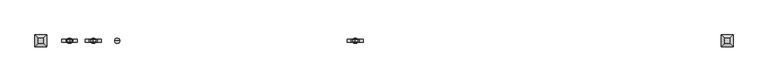
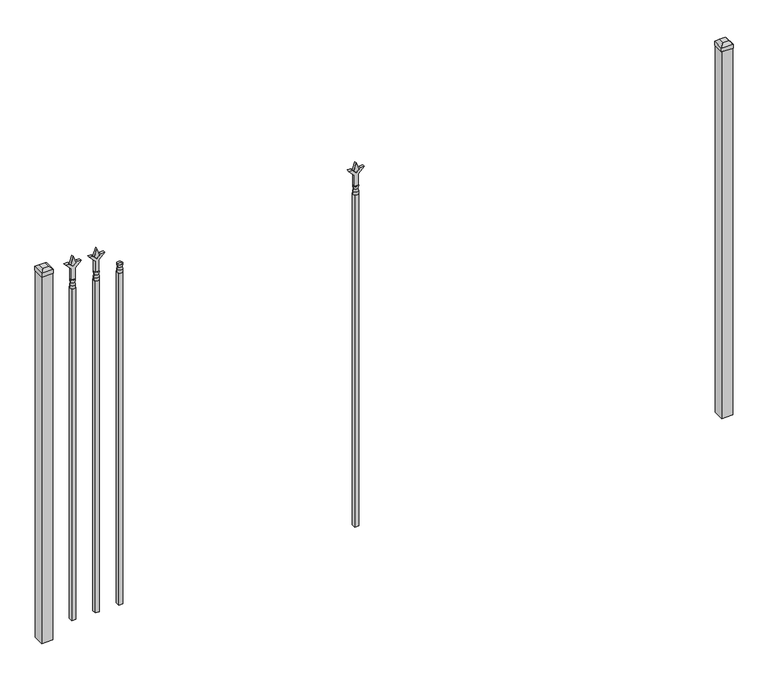
"""IFC4 building model written with IfcOpenShell, lengths in millimetres: railing geometry."""

from ifc_helpers import new_model, si_unit, frame, origin, origin_with_axes, place, context, project, spatial, polyline, circle_curve, outline, extrude, faceted_brep, source, transform, mapped, element, save
from ifc_brep_helpers import plane_surface, cylinder_surface, revolved_surface, advanced_brep


def railing_fbd1b9ba(model_context):
    return source(origin(), model_context, "Body", "SolidModel", [
        advanced_brep(
        [(-67079.1035036, -9169.6570174, 1689.1), (-67102.9160036, -9169.6570174, 1689.1), (-67102.9160036, -9169.6570174, 1676.4), (-67079.1035036, -9169.6570174, 1676.4), (-67081.3088355, -9169.6570174, 1701.6070585), (-67100.7106718, -9169.6570174, 1701.6070585), (-67079.1035036, -9169.6570174, 1717.675), (-67102.9160036, -9169.6570174, 1717.675), (-67091.0097536, -9169.6570174, 1717.675), (-67091.0097536, -9169.6570174, 1676.4)],
        [
            (0, 1, circle_curve(frame((-67091.0097536, -9169.6570174, 1689.1), z_axis=(0.0, 0.0, -1.0), x_axis=(-1.0, 0.0, 0.0)), 11.90625)),
            (1, 2),
            (2, 3, circle_curve(frame((-67091.0097536, -9169.6570174, 1676.4), z_axis=(0.0, 0.0, 1.0), x_axis=(-1.0, 0.0, 0.0)), 11.90625)),
            (3, 0),
            (1, 0, circle_curve(frame((-67091.0097536, -9169.6570174, 1689.1), z_axis=(0.0, 0.0, -1.0), x_axis=(-1.0, 0.0, 0.0)), 11.90625)),
            (3, 2, circle_curve(frame((-67091.0097536, -9169.6570174, 1676.4), z_axis=(0.0, 0.0, 1.0), x_axis=(-1.0, 0.0, 0.0)), 11.90625)),
            (4, 5, circle_curve(frame((-67091.0097536, -9169.6570174, 1701.6070585), z_axis=(0.0, 0.0, -1.0), x_axis=(-1.0, 0.0, 0.0)), 9.7009181)),
            (5, 1),
            (0, 4),
            (5, 4, circle_curve(frame((-67091.0097536, -9169.6570174, 1701.6070585), z_axis=(0.0, 0.0, -1.0), x_axis=(-1.0, 0.0, 0.0)), 9.7009181)),
            (6, 7, circle_curve(frame((-67091.0097536, -9169.6570174, 1717.675), z_axis=(0.0, 0.0, -1.0), x_axis=(-1.0, 0.0, 0.0)), 11.90625)),
            (7, 5),
            (4, 6),
            (7, 6, circle_curve(frame((-67091.0097536, -9169.6570174, 1717.675), z_axis=(0.0, 0.0, -1.0), x_axis=(-1.0, 0.0, 0.0)), 11.90625)),
            (8, 7),
            (6, 8),
            (2, 9),
            (9, 3),
        ],
        [
            cylinder_surface(frame((-67091.0097536, -9169.6570174, 1676.4), z_axis=(0.0, 0.0, 1.0), x_axis=(-1.0, 0.0, 0.0)), 11.90625),
            revolved_surface(polyline([(-67102.9160036, -9169.6570174, 1689.1), (-67100.7106718, -9169.6570174, 1701.6070585)]), (-67091.0097536, -9169.6570174, 1676.4), (0.0, 0.0, 1.0)),
            revolved_surface(polyline([(-67100.7106718, -9169.6570174, 1701.6070585), (-67102.9160036, -9169.6570174, 1717.675)]), (-67091.0097536, -9169.6570174, 1676.4), (0.0, 0.0, 1.0)),
            plane_surface(frame((-67091.0097536, -9169.6570174, 1717.675), z_axis=(0.0, 0.0, 1.0), x_axis=(-1.0, 0.0, 0.0))),
            plane_surface(frame((-67091.0097536, -9169.6570174, 1676.4), z_axis=(0.0, 0.0, -1.0), x_axis=(-1.0, 0.0, 0.0))),
        ],
        [
            (0, [[1, 2, 3, 4]]),
            (0, [[5, -4, 6, -2]]),
            (1, [[7, 8, -1, 9]]),
            (1, [[10, -9, -5, -8]]),
            (2, [[11, 12, -7, 13]]),
            (2, [[14, -13, -10, -12]]),
            (3, [[15, -11, 16]]),
            (3, [[-16, -14, -15]]),
            (4, [[-3, 17, 18]]),
            (4, [[-6, -18, -17]]),
        ],
    ),
        extrude(outline(polyline([(-67100.5347536, -9160.1320174), (-67081.4847536, -9160.1320174), (-67081.4847536, -9179.1820174), (-67100.5347536, -9179.1820174), (-67100.5347536, -9160.1320174)])), frame((0.0, 0.0, 50.8), z_axis=(0.0, 0.0, 1.0), x_axis=(1.0, 0.0, 0.0)), (0.0, 0.0, 1.0), 1625.6),
        extrude(outline(polyline([(1793.08125, -67188.3764203), (1828.8, -67200.2826703), (1793.08125, -67212.1889203), (1781.175, -67200.2826703), (1793.08125, -67188.3764203)])), frame((0.0, -9174.4195174, 0.0), z_axis=(0.0, 1.0, 0.0), x_axis=(0.0, 0.0, 1.0)), (0.0, 0.0, 1.0), 9.525),
        extrude(outline(polyline([(1717.675, -67191.5514203), (1771.9457378, -67191.5514203), (1799.1355122, -67164.3616458), (1799.1355122, -67182.3221581), (1781.175, -67200.2826703), (1799.1355122, -67218.2431825), (1799.1355122, -67236.2036948), (1771.9457378, -67209.0139203), (1717.675, -67209.0139203), (1717.675, -67191.5514203)])), frame((0.0, -9176.0070174, 0.0), z_axis=(0.0, 1.0, 0.0), x_axis=(0.0, 0.0, 1.0)), (0.0, 0.0, 1.0), 12.7),
        advanced_brep(
        [(-67188.3764203, -9169.6570174, 1689.1), (-67212.1889203, -9169.6570174, 1689.1), (-67212.1889203, -9169.6570174, 1676.4), (-67188.3764203, -9169.6570174, 1676.4), (-67190.5817522, -9169.6570174, 1701.6070585), (-67209.9835884, -9169.6570174, 1701.6070585), (-67188.3764203, -9169.6570174, 1717.675), (-67212.1889203, -9169.6570174, 1717.675), (-67200.2826703, -9169.6570174, 1717.675), (-67200.2826703, -9169.6570174, 1676.4)],
        [
            (0, 1, circle_curve(frame((-67200.2826703, -9169.6570174, 1689.1), z_axis=(0.0, 0.0, -1.0), x_axis=(-1.0, 0.0, 0.0)), 11.90625)),
            (1, 2),
            (2, 3, circle_curve(frame((-67200.2826703, -9169.6570174, 1676.4), z_axis=(0.0, 0.0, 1.0), x_axis=(-1.0, 0.0, 0.0)), 11.90625)),
            (3, 0),
            (1, 0, circle_curve(frame((-67200.2826703, -9169.6570174, 1689.1), z_axis=(0.0, 0.0, -1.0), x_axis=(-1.0, 0.0, 0.0)), 11.90625)),
            (3, 2, circle_curve(frame((-67200.2826703, -9169.6570174, 1676.4), z_axis=(0.0, 0.0, 1.0), x_axis=(-1.0, 0.0, 0.0)), 11.90625)),
            (4, 5, circle_curve(frame((-67200.2826703, -9169.6570174, 1701.6070585), z_axis=(0.0, 0.0, -1.0), x_axis=(-1.0, 0.0, 0.0)), 9.7009181)),
            (5, 1),
            (0, 4),
            (5, 4, circle_curve(frame((-67200.2826703, -9169.6570174, 1701.6070585), z_axis=(0.0, 0.0, -1.0), x_axis=(-1.0, 0.0, 0.0)), 9.7009181)),
            (6, 7, circle_curve(frame((-67200.2826703, -9169.6570174, 1717.675), z_axis=(0.0, 0.0, -1.0), x_axis=(-1.0, 0.0, 0.0)), 11.90625)),
            (7, 5),
            (4, 6),
            (7, 6, circle_curve(frame((-67200.2826703, -9169.6570174, 1717.675), z_axis=(0.0, 0.0, -1.0), x_axis=(-1.0, 0.0, 0.0)), 11.90625)),
            (8, 7),
            (6, 8),
            (2, 9),
            (9, 3),
        ],
        [
            cylinder_surface(frame((-67200.2826703, -9169.6570174, 1676.4), z_axis=(0.0, 0.0, 1.0), x_axis=(-1.0, 0.0, 0.0)), 11.90625),
            revolved_surface(polyline([(-67212.1889203, -9169.6570174, 1689.1), (-67209.9835884, -9169.6570174, 1701.6070585)]), (-67200.2826703, -9169.6570174, 1676.4), (0.0, 0.0, 1.0)),
            revolved_surface(polyline([(-67209.9835884, -9169.6570174, 1701.6070585), (-67212.1889203, -9169.6570174, 1717.675)]), (-67200.2826703, -9169.6570174, 1676.4), (0.0, 0.0, 1.0)),
            plane_surface(frame((-67200.2826703, -9169.6570174, 1717.675), z_axis=(0.0, 0.0, 1.0), x_axis=(-1.0, 0.0, 0.0))),
            plane_surface(frame((-67200.2826703, -9169.6570174, 1676.4), z_axis=(0.0, 0.0, -1.0), x_axis=(-1.0, 0.0, 0.0))),
        ],
        [
            (0, [[1, 2, 3, 4]]),
            (0, [[5, -4, 6, -2]]),
            (1, [[7, 8, -1, 9]]),
            (1, [[10, -9, -5, -8]]),
            (2, [[11, 12, -7, 13]]),
            (2, [[14, -13, -10, -12]]),
            (3, [[15, -11, 16]]),
            (3, [[-16, -14, -15]]),
            (4, [[-3, 17, 18]]),
            (4, [[-6, -18, -17]]),
        ],
    ),
        extrude(outline(polyline([(-67209.8076703, -9160.1320174), (-67190.7576703, -9160.1320174), (-67190.7576703, -9179.1820174), (-67209.8076703, -9179.1820174), (-67209.8076703, -9160.1320174)])), frame((0.0, 0.0, 50.8), z_axis=(0.0, 0.0, 1.0), x_axis=(1.0, 0.0, 0.0)), (0.0, 0.0, 1.0), 1625.6),
        extrude(outline(polyline([(1793.08125, -65986.374337), (1828.8, -65998.280587), (1793.08125, -66010.186837), (1781.175, -65998.280587), (1793.08125, -65986.374337)])), frame((0.0, -9174.4195174, 0.0), z_axis=(0.0, 1.0, 0.0), x_axis=(0.0, 0.0, 1.0)), (0.0, 0.0, 1.0), 9.525),
        extrude(outline(polyline([(1717.675, -65989.549337), (1771.9457378, -65989.549337), (1799.1355122, -65962.3595625), (1799.1355122, -65980.3200747), (1781.175, -65998.280587), (1799.1355122, -66016.2410992), (1799.1355122, -66034.2016114), (1771.9457378, -66007.011837), (1717.675, -66007.011837), (1717.675, -65989.549337)])), frame((0.0, -9176.0070174, 0.0), z_axis=(0.0, 1.0, 0.0), x_axis=(0.0, 0.0, 1.0)), (0.0, 0.0, 1.0), 12.7),
        advanced_brep(
        [(-65986.374337, -9169.6570174, 1689.1), (-66010.186837, -9169.6570174, 1689.1), (-66010.186837, -9169.6570174, 1676.4), (-65986.374337, -9169.6570174, 1676.4), (-65988.5796688, -9169.6570174, 1701.6070585), (-66007.9815051, -9169.6570174, 1701.6070585), (-65986.374337, -9169.6570174, 1717.675), (-66010.186837, -9169.6570174, 1717.675), (-65998.280587, -9169.6570174, 1717.675), (-65998.280587, -9169.6570174, 1676.4)],
        [
            (0, 1, circle_curve(frame((-65998.280587, -9169.6570174, 1689.1), z_axis=(0.0, 0.0, -1.0), x_axis=(-1.0, 0.0, 0.0)), 11.90625)),
            (1, 2),
            (2, 3, circle_curve(frame((-65998.280587, -9169.6570174, 1676.4), z_axis=(0.0, 0.0, 1.0), x_axis=(-1.0, 0.0, 0.0)), 11.90625)),
            (3, 0),
            (1, 0, circle_curve(frame((-65998.280587, -9169.6570174, 1689.1), z_axis=(0.0, 0.0, -1.0), x_axis=(-1.0, 0.0, 0.0)), 11.90625)),
            (3, 2, circle_curve(frame((-65998.280587, -9169.6570174, 1676.4), z_axis=(0.0, 0.0, 1.0), x_axis=(-1.0, 0.0, 0.0)), 11.90625)),
            (4, 5, circle_curve(frame((-65998.280587, -9169.6570174, 1701.6070585), z_axis=(0.0, 0.0, -1.0), x_axis=(-1.0, 0.0, 0.0)), 9.7009181)),
            (5, 1),
            (0, 4),
            (5, 4, circle_curve(frame((-65998.280587, -9169.6570174, 1701.6070585), z_axis=(0.0, 0.0, -1.0), x_axis=(-1.0, 0.0, 0.0)), 9.7009181)),
            (6, 7, circle_curve(frame((-65998.280587, -9169.6570174, 1717.675), z_axis=(0.0, 0.0, -1.0), x_axis=(-1.0, 0.0, 0.0)), 11.90625)),
            (7, 5),
            (4, 6),
            (7, 6, circle_curve(frame((-65998.280587, -9169.6570174, 1717.675), z_axis=(0.0, 0.0, -1.0), x_axis=(-1.0, 0.0, 0.0)), 11.90625)),
            (8, 7),
            (6, 8),
            (2, 9),
            (9, 3),
        ],
        [
            cylinder_surface(frame((-65998.280587, -9169.6570174, 1676.4), z_axis=(0.0, 0.0, 1.0), x_axis=(-1.0, 0.0, 0.0)), 11.90625),
            revolved_surface(polyline([(-66010.186837, -9169.6570174, 1689.1), (-66007.9815051, -9169.6570174, 1701.6070585)]), (-65998.280587, -9169.6570174, 1676.4), (0.0, 0.0, 1.0)),
            revolved_surface(polyline([(-66007.9815051, -9169.6570174, 1701.6070585), (-66010.186837, -9169.6570174, 1717.675)]), (-65998.280587, -9169.6570174, 1676.4), (0.0, 0.0, 1.0)),
            plane_surface(frame((-65998.280587, -9169.6570174, 1717.675), z_axis=(0.0, 0.0, 1.0), x_axis=(-1.0, 0.0, 0.0))),
            plane_surface(frame((-65998.280587, -9169.6570174, 1676.4), z_axis=(0.0, 0.0, -1.0), x_axis=(-1.0, 0.0, 0.0))),
        ],
        [
            (0, [[1, 2, 3, 4]]),
            (0, [[5, -4, 6, -2]]),
            (1, [[7, 8, -1, 9]]),
            (1, [[10, -9, -5, -8]]),
            (2, [[11, 12, -7, 13]]),
            (2, [[14, -13, -10, -12]]),
            (3, [[15, -11, 16]]),
            (3, [[-16, -14, -15]]),
            (4, [[-3, 17, 18]]),
            (4, [[-6, -18, -17]]),
        ],
    ),
        extrude(outline(polyline([(-66007.805587, -9160.1320174), (-65988.755587, -9160.1320174), (-65988.755587, -9179.1820174), (-66007.805587, -9179.1820174), (-66007.805587, -9160.1320174)])), frame((0.0, 0.0, 50.8), z_axis=(0.0, 0.0, 1.0), x_axis=(1.0, 0.0, 0.0)), (0.0, 0.0, 1.0), 1625.6),
        extrude(outline(polyline([(1793.08125, -67297.649337), (1828.8, -67309.555587), (1793.08125, -67321.461837), (1781.175, -67309.555587), (1793.08125, -67297.649337)])), frame((0.0, -9174.4195174, 0.0), z_axis=(0.0, 1.0, 0.0), x_axis=(0.0, 0.0, 1.0)), (0.0, 0.0, 1.0), 9.525),
        extrude(outline(polyline([(1717.675, -67300.824337), (1771.9457378, -67300.824337), (1799.1355122, -67273.6345625), (1799.1355122, -67291.5950747), (1781.175, -67309.555587), (1799.1355122, -67327.5160992), (1799.1355122, -67345.4766114), (1771.9457378, -67318.286837), (1717.675, -67318.286837), (1717.675, -67300.824337)])), frame((0.0, -9176.0070174, 0.0), z_axis=(0.0, 1.0, 0.0), x_axis=(0.0, 0.0, 1.0)), (0.0, 0.0, 1.0), 12.7),
        advanced_brep(
        [(-67297.649337, -9169.6570174, 1689.1), (-67321.461837, -9169.6570174, 1689.1), (-67321.461837, -9169.6570174, 1676.4), (-67297.649337, -9169.6570174, 1676.4), (-67299.8546688, -9169.6570174, 1701.6070585), (-67319.2565051, -9169.6570174, 1701.6070585), (-67297.649337, -9169.6570174, 1717.675), (-67321.461837, -9169.6570174, 1717.675), (-67309.555587, -9169.6570174, 1717.675), (-67309.555587, -9169.6570174, 1676.4)],
        [
            (0, 1, circle_curve(frame((-67309.555587, -9169.6570174, 1689.1), z_axis=(0.0, 0.0, -1.0), x_axis=(-1.0, 0.0, 0.0)), 11.90625)),
            (1, 2),
            (2, 3, circle_curve(frame((-67309.555587, -9169.6570174, 1676.4), z_axis=(0.0, 0.0, 1.0), x_axis=(-1.0, 0.0, 0.0)), 11.90625)),
            (3, 0),
            (1, 0, circle_curve(frame((-67309.555587, -9169.6570174, 1689.1), z_axis=(0.0, 0.0, -1.0), x_axis=(-1.0, 0.0, 0.0)), 11.90625)),
            (3, 2, circle_curve(frame((-67309.555587, -9169.6570174, 1676.4), z_axis=(0.0, 0.0, 1.0), x_axis=(-1.0, 0.0, 0.0)), 11.90625)),
            (4, 5, circle_curve(frame((-67309.555587, -9169.6570174, 1701.6070585), z_axis=(0.0, 0.0, -1.0), x_axis=(-1.0, 0.0, 0.0)), 9.7009181)),
            (5, 1),
            (0, 4),
            (5, 4, circle_curve(frame((-67309.555587, -9169.6570174, 1701.6070585), z_axis=(0.0, 0.0, -1.0), x_axis=(-1.0, 0.0, 0.0)), 9.7009181)),
            (6, 7, circle_curve(frame((-67309.555587, -9169.6570174, 1717.675), z_axis=(0.0, 0.0, -1.0), x_axis=(-1.0, 0.0, 0.0)), 11.90625)),
            (7, 5),
            (4, 6),
            (7, 6, circle_curve(frame((-67309.555587, -9169.6570174, 1717.675), z_axis=(0.0, 0.0, -1.0), x_axis=(-1.0, 0.0, 0.0)), 11.90625)),
            (8, 7),
            (6, 8),
            (2, 9),
            (9, 3),
        ],
        [
            cylinder_surface(frame((-67309.555587, -9169.6570174, 1676.4), z_axis=(0.0, 0.0, 1.0), x_axis=(-1.0, 0.0, 0.0)), 11.90625),
            revolved_surface(polyline([(-67321.461837, -9169.6570174, 1689.1), (-67319.2565051, -9169.6570174, 1701.6070585)]), (-67309.555587, -9169.6570174, 1676.4), (0.0, 0.0, 1.0)),
            revolved_surface(polyline([(-67319.2565051, -9169.6570174, 1701.6070585), (-67321.461837, -9169.6570174, 1717.675)]), (-67309.555587, -9169.6570174, 1676.4), (0.0, 0.0, 1.0)),
            plane_surface(frame((-67309.555587, -9169.6570174, 1717.675), z_axis=(0.0, 0.0, 1.0), x_axis=(-1.0, 0.0, 0.0))),
            plane_surface(frame((-67309.555587, -9169.6570174, 1676.4), z_axis=(0.0, 0.0, -1.0), x_axis=(-1.0, 0.0, 0.0))),
        ],
        [
            (0, [[1, 2, 3, 4]]),
            (0, [[5, -4, 6, -2]]),
            (1, [[7, 8, -1, 9]]),
            (1, [[10, -9, -5, -8]]),
            (2, [[11, 12, -7, 13]]),
            (2, [[14, -13, -10, -12]]),
            (3, [[15, -11, 16]]),
            (3, [[-16, -14, -15]]),
            (4, [[-3, 17, 18]]),
            (4, [[-6, -18, -17]]),
        ],
    ),
        extrude(outline(polyline([(-67319.080587, -9160.1320174), (-67300.030587, -9160.1320174), (-67300.030587, -9179.1820174), (-67319.080587, -9179.1820174), (-67319.080587, -9160.1320174)])), frame((0.0, 0.0, 50.8), z_axis=(0.0, 0.0, 1.0), x_axis=(1.0, 0.0, 0.0)), (0.0, 0.0, 1.0), 1625.6),
        extrude(outline(polyline([(-64266.318087, -9144.2570174), (-64266.318087, -9195.0570174), (-64317.118087, -9195.0570174), (-64317.118087, -9144.2570174), (-64266.318087, -9144.2570174)])), origin_with_axes(), (0.0, 0.0, 1.0), 1797.05),
        faceted_brep([(-64318.705587, -9142.6695174, 1816.1), (-64318.705587, -9142.6695174, 1797.05), (-64318.705587, -9196.6445174, 1797.05), (-64318.705587, -9196.6445174, 1816.1), (-64306.005587, -9155.3695174, 1828.8), (-64306.005587, -9183.9445174, 1828.8), (-64264.730587, -9196.6445174, 1797.05), (-64264.730587, -9196.6445174, 1816.1), (-64277.430587, -9183.9445174, 1828.8), (-64264.730587, -9142.6695174, 1797.05), (-64264.730587, -9142.6695174, 1816.1), (-64277.430587, -9155.3695174, 1828.8)], [[[0, 1, 2, 3]], [[4, 0, 3, 5]], [[3, 2, 6, 7]], [[5, 3, 7, 8]], [[7, 6, 9, 10]], [[8, 7, 10, 11]], [[10, 9, 1, 0]], [[11, 10, 0, 4]], [[5, 8, 11, 4]], [[1, 9, 6, 2]]]),
        extrude(outline(polyline([(-67415.918087, -9144.2570174), (-67415.918087, -9195.0570174), (-67466.718087, -9195.0570174), (-67466.718087, -9144.2570174), (-67415.918087, -9144.2570174)])), origin_with_axes(), (0.0, 0.0, 1.0), 1797.05),
        faceted_brep([(-67468.305587, -9142.6695174, 1816.1), (-67468.305587, -9142.6695174, 1797.05), (-67468.305587, -9196.6445174, 1797.05), (-67468.305587, -9196.6445174, 1816.1), (-67455.605587, -9155.3695174, 1828.8), (-67455.605587, -9183.9445174, 1828.8), (-67414.330587, -9196.6445174, 1797.05), (-67414.330587, -9196.6445174, 1816.1), (-67427.030587, -9183.9445174, 1828.8), (-67414.330587, -9142.6695174, 1797.05), (-67414.330587, -9142.6695174, 1816.1), (-67427.030587, -9155.3695174, 1828.8)], [[[0, 1, 2, 3]], [[4, 0, 3, 5]], [[3, 2, 6, 7]], [[5, 3, 7, 8]], [[7, 6, 9, 10]], [[8, 7, 10, 11]], [[10, 9, 1, 0]], [[11, 10, 0, 4]], [[5, 8, 11, 4]], [[1, 9, 6, 2]]]),
    ])


if __name__ == "__main__":
    model = new_model("IFC4")
    model_context = context("Model", 3, world=origin())
    ifc_project = project(units=[si_unit("LENGTHUNIT", "METRE", prefix="MILLI")], contexts=[model_context])
    site = spatial("IfcSite", under=ifc_project)
    building = spatial("IfcBuilding", under=site)
    placement = place(None, origin())
    railing_shape = railing_fbd1b9ba(model_context)
    element("IfcRailing", 1, at=placement, inside=building, context=model_context, shape_type="MappedRepresentation", body=[
        mapped(railing_shape, transform((0.0, 0.0, 0.0), x_axis=(1.0, 0.0, 0.0), y_axis=(0.0, 1.0, 0.0), z_axis=(0.0, 0.0, 1.0))),
    ])
    save(model, "model.ifc")
